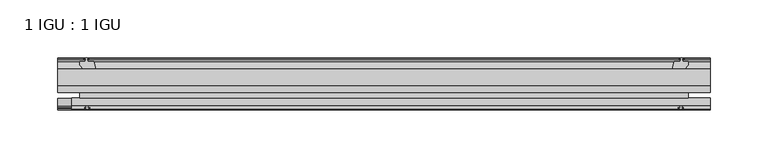
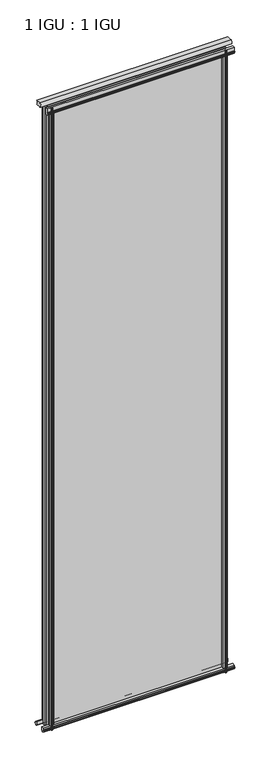
"""IFC4 building model written with IfcOpenShell, lengths in millimetres: plate geometry, 1 IGU : 1 IGU."""

from ifc_helpers import new_model, si_unit, point, frame, frame_2d, origin, place, context, project, spatial, polyline, circle_curve, trimmed, segment, composite_curve, outline, extrude, source, transform, mapped, element, save


def plate_1_igu_1_igu_671c51b5(model_context):
    return source(origin(), model_context, "Body", "SweptSolid", [
        extrude(outline(polyline([(-263.5685731, -38.6468937), (263.5685731, -38.6468937), (263.5685731, -44.9460938), (-263.5685731, -44.9460938), (-263.5685731, -38.6468937)])), frame((0.0, 0.0, -12.7), z_axis=(0.0, 0.0, 1.0), x_axis=(1.0, 0.0, 0.0)), (0.0, 0.0, 1.0), 1944.7764181),
        extrude(outline(polyline([(-263.5685731, -19.5460937), (263.5685731, -19.5460937), (263.5685731, -25.8960938), (-263.5685731, -25.8960938), (-263.5685731, -19.5460937)])), frame((0.0, 0.0, -12.7), z_axis=(0.0, 0.0, 1.0), x_axis=(1.0, 0.0, 0.0)), (0.0, 0.0, 1.0), 1944.7764181),
        extrude(outline(polyline([(-44.9460937, 1.7177181), (-44.9460937, -9.1036578), (-48.3496937, -11.938), (-51.2960937, -11.938), (-51.2960937, -7.493), (-53.6762907, -7.112), (-53.2163575, -8.5275291), (-54.0175717, -8.5275291), (-54.7250937, -6.35), (-54.0175717, -4.1724709), (-53.2163575, -4.1724709), (-53.6762907, -5.588), (-51.2960937, -5.207), (-51.2960937, 0.0), (-44.9460937, 1.7177181)])), frame((-282.6185731, 0.0, 0.0), z_axis=(1.0, 0.0, 0.0), x_axis=(0.0, 1.0, 0.0)), (0.0, 0.0, 1.0), 565.2371461),
        extrude(outline(polyline([(-13.1960937, -12.4587), (-16.1424937, -12.4587), (-19.5460937, -9.6243578), (-19.5460937, 1.1970181), (-13.1960937, -0.5207), (-13.1960937, -5.7277), (-10.8158968, -6.1087), (-11.27583, -4.6931709), (-10.4746158, -4.6931709), (-9.7670937, -6.8707), (-10.4746158, -9.0482291), (-11.27583, -9.0482291), (-10.8158968, -7.6327), (-13.1960937, -8.0137), (-13.1960937, -12.4587)])), frame((-282.6185731, 0.0, 0.0), z_axis=(1.0, 0.0, 0.0), x_axis=(0.0, 1.0, 0.0)), (0.0, 0.0, 1.0), 565.2371461),
        extrude(outline(composite_curve([segment(polyline([(-44.9380025, 1912.9385159), (-51.2960937, 1912.9385159), (-51.2960937, 1917.7645159), (-54.1955564, 1917.7645159), (-54.8194621, 1918.7418083)]), True, "CONTINUOUS"), segment(trimmed(circle_curve(frame_2d((-53.9630937, 1919.2885159)), 1.016), [point((-54.8194621, 1918.7418083))], [point((-54.8194621, 1919.8352235))], False, "CARTESIAN"), True, "CONTINUOUS"), segment(polyline([(-54.8194621, 1919.8352235), (-54.1955564, 1920.8125159), (-51.2878033, 1920.8125159), (-51.2916866, 1931.9771994), (-44.9380025, 1931.9771994), (-44.9380025, 1912.9385159)]), True, "CONTINUOUS")], self_intersect=False)), frame((-270.3608669, 0.0, 0.0), z_axis=(1.0, 0.0, 0.0), x_axis=(0.0, 1.0, 0.0)), (0.0, 0.0, 1.0), 552.97944),
        extrude(outline(polyline([(249.671555, -19.5460938), (251.3892731, -13.1960938), (256.5962731, -13.1960938), (256.9772731, -10.8158968), (255.561744, -11.27583), (255.561744, -10.4746158), (257.7392731, -9.7670938), (259.9168021, -10.4746158), (259.9168021, -11.27583), (258.5012731, -10.8158968), (258.8822731, -13.1960938), (263.3272731, -13.1960938), (263.3272731, -16.1424938), (260.4929309, -19.5460938), (249.671555, -19.5460938)])), frame((0.0, 0.0, -12.7), z_axis=(0.0, 0.0, 1.0), x_axis=(1.0, 0.0, 0.0)), (0.0, 0.0, 1.0), 1944.7764183),
        extrude(outline(polyline([(249.150855, -44.9460938), (259.9722309, -44.9460938), (262.8065731, -48.3496938), (262.8065731, -51.2960938), (258.3615731, -51.2960938), (257.9805731, -53.6762907), (259.3961021, -53.2163575), (259.3961021, -54.0175717), (257.2185731, -54.7250938), (255.041044, -54.0175717), (255.041044, -53.2163575), (256.4565731, -53.6762907), (256.0755731, -51.2960938), (250.8685731, -51.2960938), (249.150855, -44.9460938)])), frame((0.0, 0.0, -12.7), z_axis=(0.0, 0.0, 1.0), x_axis=(1.0, 0.0, 0.0)), (0.0, 0.0, 1.0), 1944.7764183),
        extrude(outline(polyline([(-257.7392731, -9.7670937), (-255.561744, -10.4746158), (-255.561744, -11.27583), (-256.9772731, -10.8158968), (-256.5962731, -13.1960937), (-251.3892731, -13.1960937), (-249.671555, -19.5460937), (-260.4929309, -19.5460937), (-263.3272731, -16.1424937), (-263.3272731, -13.1960937), (-258.8822731, -13.1960937), (-258.5012731, -10.8158968), (-259.9168021, -11.27583), (-259.9168021, -10.4746158), (-257.7392731, -9.7670937)])), frame((0.0, 0.0, -12.7), z_axis=(0.0, 0.0, 1.0), x_axis=(1.0, 0.0, 0.0)), (0.0, 0.0, 1.0), 1944.7764183),
        extrude(outline(polyline([(-262.8065731, -48.3496937), (-259.9722309, -44.9460937), (-249.150855, -44.9460937), (-250.8685731, -51.2960937), (-256.0755731, -51.2960937), (-256.4565731, -53.6762907), (-255.041044, -53.2163575), (-255.041044, -54.0175717), (-257.2185731, -54.7250937), (-259.3961021, -54.0175717), (-259.3961021, -53.2163575), (-257.9805731, -53.6762907), (-258.3615731, -51.2960937), (-262.8065731, -51.2960937), (-262.8065731, -48.3496937)])), frame((0.0, 0.0, -12.7), z_axis=(0.0, 0.0, 1.0), x_axis=(1.0, 0.0, 0.0)), (0.0, 0.0, 1.0), 1944.7764183),
        extrude(outline(composite_curve([segment(trimmed(circle_curve(frame_2d((-9.2245666, 1938.3899974)), 12.1106873), [point((-19.5460937, 1944.7252026))], [point((-19.5460937, 1932.0547922))], True, "CARTESIAN"), True, "CONTINUOUS"), segment(polyline([(-19.5460937, 1932.0547922), (-33.8757421, 1932.0547922)]), True, "CONTINUOUS"), segment(trimmed(circle_curve(frame_2d((-33.8757421, 1938.3899974)), 6.3352052), [point((-33.8757421, 1932.0547922))], [point((-33.8757421, 1944.7252026))], False, "CARTESIAN"), True, "CONTINUOUS"), segment(polyline([(-33.8757421, 1944.7252026), (-19.5460937, 1944.7252026)]), True, "CONTINUOUS")], self_intersect=False)), frame((-282.6185731, 0.0, 0.0), z_axis=(1.0, 0.0, 0.0), x_axis=(0.0, 1.0, 0.0)), (0.0, 0.0, 1.0), 565.2371461),
    ])


if __name__ == "__main__":
    model = new_model("IFC4")
    model_context = context("Model", 3, world=origin())
    ifc_project = project(units=[si_unit("LENGTHUNIT", "METRE", prefix="MILLI")], contexts=[model_context])
    site = spatial("IfcSite", under=ifc_project)
    building = spatial("IfcBuilding", under=site)
    placement = place(None, origin())
    plate_1_igu_1_igu_shape = plate_1_igu_1_igu_671c51b5(model_context)
    element("IfcPlate", 1, ObjectType="1 IGU : 1 IGU", at=placement, inside=building, context=model_context, shape_type="MappedRepresentation", body=[
        mapped(plate_1_igu_1_igu_shape, transform((0.0, 0.0, 0.0), x_axis=(1.0, 0.0, 0.0), y_axis=(0.0, 1.0, 0.0), z_axis=(0.0, 0.0, 1.0))),
    ])
    save(model, "model.ifc")
